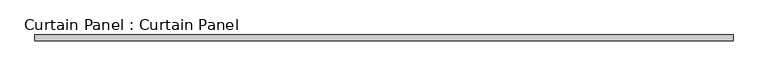
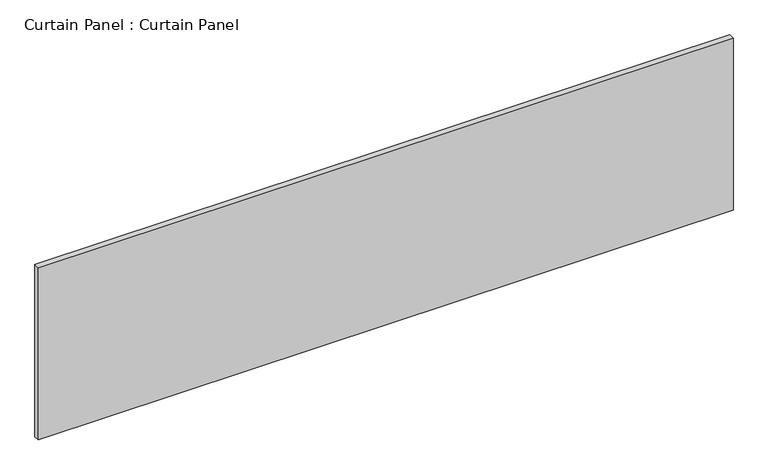
"""IFC4 building model written with IfcOpenShell, lengths in millimetres: plate geometry, Curtain Panel : Curtain Panel."""

from ifc_helpers import new_model, si_unit, frame, origin, place, context, project, spatial, polyline, outline, extrude, source, transform, mapped, element, save


def curtain_panel_curtain_panel_794dfca9(model_context):
    return source(origin(), model_context, "Body", "SweptSolid", [
        extrude(outline(polyline([(-111623.8096152, -9130.4431787), (-114573.4305895, -9130.4431787), (-114573.4305895, -9105.0431787), (-111623.8096152, -9105.0431787), (-111623.8096152, -9130.4431787)])), frame((0.0, 0.0, 3117.453125), z_axis=(0.0, 0.0, 1.0), x_axis=(1.0, 0.0, 0.0)), (0.0, 0.0, 1.0), 772.2850477),
    ])


if __name__ == "__main__":
    model = new_model("IFC4")
    model_context = context("Model", 3, world=origin())
    ifc_project = project(units=[si_unit("LENGTHUNIT", "METRE", prefix="MILLI")], contexts=[model_context])
    site = spatial("IfcSite", under=ifc_project)
    building = spatial("IfcBuilding", under=site)
    placement = place(None, origin())
    curtain_panel_curtain_panel_shape = curtain_panel_curtain_panel_794dfca9(model_context)
    element("IfcPlate", 1, ObjectType="Curtain Panel : Curtain Panel", at=placement, inside=building, context=model_context, shape_type="MappedRepresentation", body=[
        mapped(curtain_panel_curtain_panel_shape, transform((0.0, 0.0, 0.0), x_axis=(1.0, 0.0, 0.0), y_axis=(0.0, 1.0, 0.0), z_axis=(0.0, 0.0, 1.0))),
    ])
    save(model, "model.ifc")
